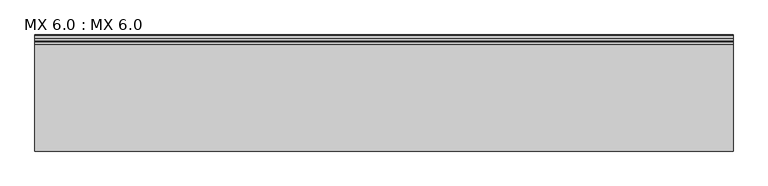
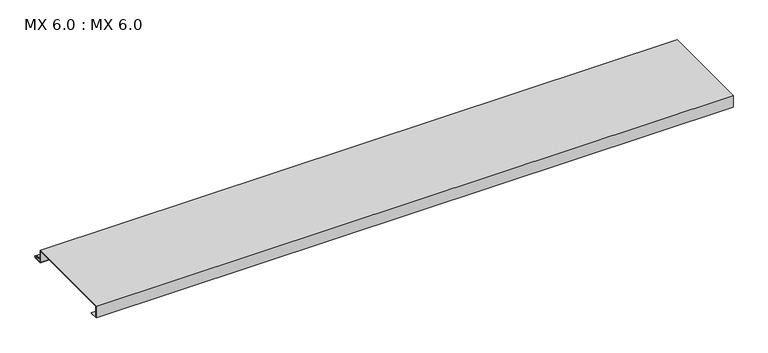
"""IFC4 building model written with IfcOpenShell, lengths in millimetres: proxy geometry, MX 6.0 : MX 6.0."""

from ifc_helpers import new_model, si_unit, point, frame, frame_2d, origin, place, context, project, spatial, polyline, circle_curve, trimmed, segment, composite_curve, outline, extrude, source, transform, mapped, element, save


def mx_6_0_mx_6_0_e38dfa58(model_context):
    return source(origin(), model_context, "Body", "SweptSolid", [
        extrude(outline(composite_curve([segment(polyline([(0.0, 0.0), (0.0, 38.0), (300.0, 38.0), (300.0, 0.0), (325.0510156, 0.0)]), True, "CONTINUOUS"), segment(trimmed(circle_curve(frame_2d((324.3094696, 1.9153551)), 2.0538928), [point((325.0510156, 0.0))], [point((325.1748462, 3.778041))], True, "CARTESIAN"), True, "CONTINUOUS"), segment(polyline([(325.1748462, 3.778041), (308.7874714, 6.923107)]), True, "CONTINUOUS"), segment(trimmed(circle_curve(frame_2d((309.4078886, 8.6005442)), 1.7884947), [point((308.7874714, 6.923107))], [point((308.9525789, 10.3301125))], False, "CARTESIAN"), True, "CONTINUOUS"), segment(polyline([(308.9525789, 10.3301125), (316.459338, 11.6715995), (316.635255, 10.6871945), (309.1762081, 9.3542338)]), True, "CONTINUOUS"), segment(trimmed(circle_curve(frame_2d((309.4078886, 8.6005442)), 0.7884947), [point((309.1762081, 9.3542338))], [point((309.0735117, 7.8864603))], True, "CARTESIAN"), True, "CONTINUOUS"), segment(polyline([(309.0735117, 7.8864603), (325.4722719, 4.7392091)]), True, "CONTINUOUS"), segment(trimmed(circle_curve(frame_2d((324.3094696, 1.9153551)), 3.0538928), [point((325.4722719, 4.7392091))], [point((325.2188462, -1.0))], False, "CARTESIAN"), True, "CONTINUOUS"), segment(polyline([(325.2188462, -1.0), (299.0, -1.0), (299.0, 37.0), (1.0, 37.0), (1.0, 1.0), (25.0, 1.0), (25.0, 0.0), (0.0, 0.0)]), True, "CONTINUOUS")], self_intersect=False)), frame((0.0, 0.0, 0.0), z_axis=(1.0, 0.0, 0.0), x_axis=(0.0, 1.0, 0.0)), (0.0, 0.0, 1.0), 1968.5604387),
    ])


if __name__ == "__main__":
    model = new_model("IFC4")
    model_context = context("Model", 3, world=origin())
    ifc_project = project(units=[si_unit("LENGTHUNIT", "METRE", prefix="MILLI")], contexts=[model_context])
    site = spatial("IfcSite", under=ifc_project)
    building = spatial("IfcBuilding", under=site)
    placement = place(None, origin())
    mx_6_0_mx_6_0_shape = mx_6_0_mx_6_0_e38dfa58(model_context)
    element("IfcBuildingElementProxy", 1, Name="MX 6.0 : MX 6.0", ObjectType="MX 6.0 : MX 6.0", at=placement, inside=building, context=model_context, shape_type="MappedRepresentation", body=[
        mapped(mx_6_0_mx_6_0_shape, transform((0.0, 0.0, 0.0), x_axis=(1.0, 0.0, 0.0), y_axis=(0.0, 1.0, 0.0), z_axis=(0.0, 0.0, 1.0))),
    ])
    save(model, "model.ifc")
